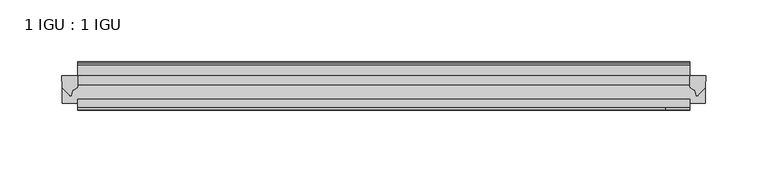
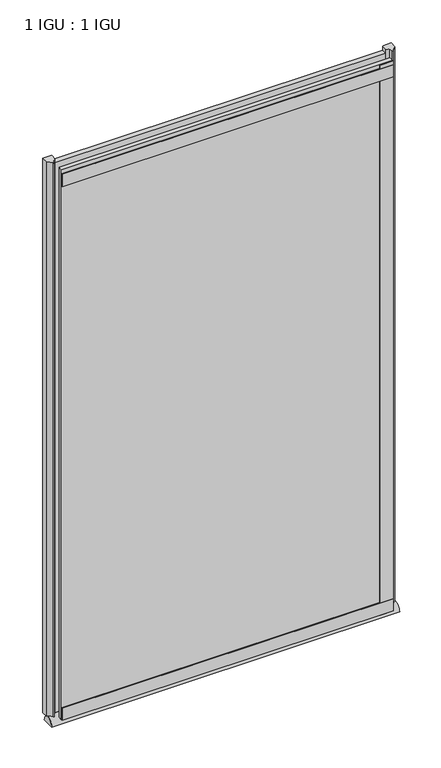
"""IFC4 building model written with IfcOpenShell, lengths in millimetres: plate geometry, 1 IGU : 1 IGU."""

import ifcopenshell
import ifcopenshell.guid

model = None  # the IFC model being written
_history = None  # IfcOwnerHistory: only IFC2X3 demands one
_inside = {}  # id of a spatial element -> (the spatial element, [elements in it])
_under = {}  # id of a project, library or spatial element -> (it, [spatial elements below it])
_declared = {}  # id of a project -> (the project, [libraries it declares])
_typed = {}  # id of a type object -> (the type object, [elements of that type])
_made_of = {}  # id of a material, layer set ... -> (it, [elements and type objects made of it])


def new_model(schema):
    """Start an empty IFC model of exactly this schema.

    Asked for "IFC4X3", IfcOpenShell would pick the latest addendum, in which some entities
    have other attributes; the version numbers below select the first issue.
    IFC2X3 requires an IfcOwnerHistory on every rooted entity: one is made here for all.
    """
    global model, _history
    if schema == "IFC4X3":
        model = ifcopenshell.file(schema_version=(4, 3, 0, 0))
    else:
        model = ifcopenshell.file(schema=schema)
    _inside.clear()
    _under.clear()
    _declared.clear()
    _typed.clear()
    _made_of.clear()
    _history = None
    if model.schema == "IFC2X3":
        org = make("IfcOrganization", Name="unknown")
        user = make(
            "IfcPersonAndOrganization",
            ThePerson=make("IfcPerson", FamilyName="unknown"),
            TheOrganization=org,
        )
        app = make(
            "IfcApplication",
            ApplicationDeveloper=org,
            Version="unknown",
            ApplicationFullName="unknown",
            ApplicationIdentifier="unknown",
        )
        _history = make(
            "IfcOwnerHistory",
            OwningUser=user,
            OwningApplication=app,
            ChangeAction="ADDED",
            CreationDate=0,
        )
    return model


def make(cls, **values):
    """One entity of the class cls with the attributes given. An attribute that is None is left unset."""
    return model.create_entity(
        cls, **{name: value for name, value in values.items() if value is not None}
    )


def rooted(cls, **values):
    """An entity with a GlobalId (a new one), such as an element, a storey or a relation."""
    return make(cls, GlobalId=ifcopenshell.guid.new(), OwnerHistory=_history, **values)


def si_unit(unit_type, name, prefix=None):
    """IfcSIUnit, for example si_unit("LENGTHUNIT", "METRE", prefix="MILLI")."""
    return make("IfcSIUnit", UnitType=unit_type, Prefix=prefix, Name=name)


def assignment(units):
    """IfcUnitAssignment: the units of a project."""
    return None if units is None else make("IfcUnitAssignment", Units=units)


def point(xyz):
    """IfcCartesianPoint."""
    return None if xyz is None else make("IfcCartesianPoint", Coordinates=xyz)


def direction(xyz):
    """IfcDirection."""
    return None if xyz is None else make("IfcDirection", DirectionRatios=xyz)


def frame(location, z_axis=None, x_axis=None):
    """IfcAxis2Placement3D, a coordinate frame: its origin and axes. An axis left out is left unset."""
    return make(
        "IfcAxis2Placement3D",
        Location=point(location),
        Axis=direction(z_axis),
        RefDirection=direction(x_axis),
    )


def frame_2d(location, x_axis=None):
    """IfcAxis2Placement2D, a coordinate frame in the plane: its origin and x axis."""
    return make(
        "IfcAxis2Placement2D", Location=point(location), RefDirection=direction(x_axis)
    )


def origin():
    """The frame at (0, 0, 0) with its axes left unset."""
    return frame((0.0, 0.0, 0.0))


def place(relative_to, where):
    """IfcLocalPlacement: puts the frame where relative to a parent placement (None: the world)."""
    return make(
        "IfcLocalPlacement", PlacementRelTo=relative_to, RelativePlacement=where
    )


def context(
    kind, dimensions, precision=None, world=None, true_north=None, identifier=None
):
    """IfcGeometricRepresentationContext, for example the 3D "Model" context."""
    return make(
        "IfcGeometricRepresentationContext",
        ContextIdentifier=identifier,
        ContextType=kind,
        CoordinateSpaceDimension=dimensions,
        Precision=precision,
        WorldCoordinateSystem=world,
        TrueNorth=true_north,
    )


def project(units=None, contexts=None):
    """IfcProject with its units and contexts."""
    return rooted(
        "IfcProject",
        Name="project",
        RepresentationContexts=contexts,
        UnitsInContext=assignment(units),
    )


def spatial(cls, under=None, at=None, **own):
    """A site, building, storey or space (cls), placed at a placement, below another one or the project."""
    s = rooted(cls, ObjectPlacement=at, **own)
    if under is not None:
        _under.setdefault(under.id(), (under, []))[1].append(s)
    return s


def polyline(points):
    """IfcPolyline through the points."""
    return make("IfcPolyline", Points=[point(p) for p in points])


def circle_curve(where, radius):
    """IfcCircle in the frame where."""
    return make("IfcCircle", Position=where, Radius=radius)


def ellipse_curve(where, semi_axis1, semi_axis2):
    """IfcEllipse in the frame where."""
    return make(
        "IfcEllipse", Position=where, SemiAxis1=semi_axis1, SemiAxis2=semi_axis2
    )


def trimmed(basis, trim1, trim2, sense, master):
    """IfcTrimmedCurve: the piece of a basis curve between two trims."""
    return make(
        "IfcTrimmedCurve",
        BasisCurve=basis,
        Trim1=trim1,
        Trim2=trim2,
        SenseAgreement=sense,
        MasterRepresentation=master,
    )


def segment(curve, same_sense, transition):
    """IfcCompositeCurveSegment."""
    return make(
        "IfcCompositeCurveSegment",
        Transition=transition,
        SameSense=same_sense,
        ParentCurve=curve,
    )


def composite_curve(segments, self_intersect=None):
    """IfcCompositeCurve: segments joined end to end."""
    return make("IfcCompositeCurve", Segments=segments, SelfIntersect=self_intersect)


def outline(outer, holes=None, kind="AREA"):
    """IfcArbitraryClosedProfileDef: a profile drawn as a closed curve; with holes, ...WithVoids."""
    if holes is None:
        return make("IfcArbitraryClosedProfileDef", ProfileType=kind, OuterCurve=outer)
    return make(
        "IfcArbitraryProfileDefWithVoids",
        ProfileType=kind,
        OuterCurve=outer,
        InnerCurves=holes,
    )


def extrude(swept, where, along, depth):
    """IfcExtrudedAreaSolid: the profile swept, set in the frame where, extruded along a direction by depth."""
    return make(
        "IfcExtrudedAreaSolid",
        SweptArea=swept,
        Position=where,
        ExtrudedDirection=direction(along),
        Depth=depth,
    )


def shape(context_of_items, identifier, shape_type, items):
    """IfcShapeRepresentation: the items that make up one representation, for example the "Body"."""
    return make(
        "IfcShapeRepresentation",
        ContextOfItems=context_of_items,
        RepresentationIdentifier=identifier,
        RepresentationType=shape_type,
        Items=items,
    )


def source(mapping_origin, context_of_items, identifier, shape_type, items):
    """IfcRepresentationMap: a shape defined once, which mapped items show again and again."""
    return make(
        "IfcRepresentationMap",
        MappingOrigin=mapping_origin,
        MappedRepresentation=shape(context_of_items, identifier, shape_type, items),
    )


def transform(
    local_origin,
    x_axis=None,
    y_axis=None,
    z_axis=None,
    scale=None,
    scale2=None,
    scale3=None,
    uniform=True,
):
    """IfcCartesianTransformationOperator3D, or its non-uniform kind. x_axis, y_axis, z_axis: its Axis1, 2, 3."""
    if uniform:
        return make(
            "IfcCartesianTransformationOperator3D",
            Axis1=direction(x_axis),
            Axis2=direction(y_axis),
            LocalOrigin=point(local_origin),
            Scale=scale,
            Axis3=direction(z_axis),
        )
    return make(
        "IfcCartesianTransformationOperator3DnonUniform",
        Axis1=direction(x_axis),
        Axis2=direction(y_axis),
        LocalOrigin=point(local_origin),
        Scale=scale,
        Axis3=direction(z_axis),
        Scale2=scale2,
        Scale3=scale3,
    )


def mapped(mapping_source, mapping_target):
    """IfcMappedItem: shows the shape of a source again, moved by a transform."""
    return make(
        "IfcMappedItem", MappingSource=mapping_source, MappingTarget=mapping_target
    )


def made_of(thing, what):
    """Note that an element or type object is made of a material, layer set ...; save() writes the relation."""
    if what is not None:
        _made_of.setdefault(what.id(), (what, []))[1].append(thing)
    return thing


def element(
    cls,
    number,
    at=None,
    inside=None,
    cuts=None,
    type_object=None,
    material=None,
    context=None,
    identifier="Body",
    shape_type=None,
    held_by="IfcProductDefinitionShape",
    body=None,
    shapes=None,
    **own,
):
    """One element of the class cls, such as IfcWall. Its Tag is "e" and its number.

    at: its placement. inside: the storey or other place that contains it. cuts: it is an
    opening in that element (IfcRelVoidsElement). A single representation is given by context,
    identifier, shape_type and body (its items); several are given by shapes. held_by: the class
    of the entity that holds the representations. save() writes the other relations.
    """
    e = rooted(cls, Tag="e%d" % number, ObjectPlacement=at, **own)
    if body is not None:
        shapes = [shape(context, identifier, shape_type, body)]
    if shapes is not None:
        e.Representation = make(held_by, Representations=shapes)
    if inside is not None:
        _inside.setdefault(inside.id(), (inside, []))[1].append(e)
    if cuts is not None:
        rooted(
            "IfcRelVoidsElement", RelatingBuildingElement=cuts, RelatedOpeningElement=e
        )
    if type_object is not None:
        _typed.setdefault(type_object.id(), (type_object, []))[1].append(e)
    return made_of(e, material)


def aggregate(whole, parts):
    """IfcRelAggregates: a whole, such as a stair, and the parts it consists of."""
    return rooted("IfcRelAggregates", RelatingObject=whole, RelatedObjects=parts)


def save(model, path):
    """Write the relations noted so far, then the file.

    IfcRelAggregates (storeys below a building ...), IfcRelContainedInSpatialStructure (elements
    in a storey), IfcRelDefinesByType, IfcRelAssociatesMaterial and IfcRelDeclares: one each for
    every whole, place, type object, material and project.
    """
    for whole, parts in _under.values():
        aggregate(whole, parts)
    for where, things in _inside.values():
        rooted(
            "IfcRelContainedInSpatialStructure",
            RelatedElements=things,
            RelatingStructure=where,
        )
    for kind, things in _typed.values():
        rooted("IfcRelDefinesByType", RelatedObjects=things, RelatingType=kind)
    for what, things in _made_of.values():
        rooted("IfcRelAssociatesMaterial", RelatedObjects=things, RelatingMaterial=what)
    for by, libraries in _declared.values():
        rooted("IfcRelDeclares", RelatingContext=by, RelatedDefinitions=libraries)
    model.write(path)


def plane_surface(at):
    """IfcPlane: the flat surface through the origin of the frame at, square to its z axis."""
    return make("IfcPlane", Position=at)


def extruded_surface(curve, direction_of_extrusion, depth):
    """IfcSurfaceOfLinearExtrusion: the curve pushed along a direction by depth."""
    return make(
        "IfcSurfaceOfLinearExtrusion",
        SweptCurve=make("IfcArbitraryOpenProfileDef", ProfileType="CURVE", Curve=curve),
        ExtrudedDirection=direction(direction_of_extrusion),
        Depth=depth,
    )


def advanced_brep(points, edges, surfaces, faces):
    """IfcAdvancedBrep: a solid bounded by faces that lie on surfaces and meet in shared edges.

    An edge is (start, end): straight between two places in points (the first is 0);
    or (start, end, curve); or (start, end, curve, False) where it runs against its curve.
    A face is (place in surfaces, loops), or (place, loops, False) where it looks against
    its surface's normal. A loop lists edges by number (the first is 1), with a minus sign
    where the edge is run from its end to its start. The first loop is the outer one.
    """
    corners = [point(p) for p in points]
    vertices = [make("IfcVertexPoint", VertexGeometry=c) for c in corners]
    made = []
    for start, end, *more in edges:
        made.append(
            make(
                "IfcEdgeCurve",
                EdgeStart=vertices[start],
                EdgeEnd=vertices[end],
                EdgeGeometry=more[0] if more else make("IfcPolyline", Points=[corners[start], corners[end]]),
                SameSense=more[1] if len(more) > 1 else True,
            )
        )
    hull = []
    for where, loops, *sense in faces:
        bounds = []
        for j, loop in enumerate(loops):
            ring = [make("IfcOrientedEdge", EdgeElement=made[abs(k) - 1], Orientation=k > 0) for k in loop]
            bounds.append(
                make(
                    "IfcFaceOuterBound" if j == 0 else "IfcFaceBound",
                    Bound=make("IfcEdgeLoop", EdgeList=ring),
                    Orientation=True,
                )
            )
        hull.append(make("IfcAdvancedFace", Bounds=bounds, FaceSurface=surfaces[where], SameSense=sense[0] if sense else True))
    return make("IfcAdvancedBrep", Outer=make("IfcClosedShell", CfsFaces=hull))


def plate_1_igu_1_igu_0bd16656(model_context):
    return source(origin(), model_context, "Body", "SolidModel", [
        extrude(outline(polyline([(307.9682531, -11.6085937), (307.9682531, -18.8576359), (-187.0205969, -18.8576359), (-187.0205969, -11.6085937), (307.9682531, -11.6085937)])), frame((0.0, 0.0, -19.05), z_axis=(0.0, 0.0, 1.0), x_axis=(1.0, 0.0, 0.0)), (0.0, 0.0, 1.0), 869.9409101),
        extrude(outline(polyline([(-187.0205969, -30.7093937), (307.9682531, -30.7093937), (307.9682531, -37.0085937), (-187.0205969, -37.0085937), (-187.0205969, -30.7093937)])), frame((0.0, 0.0, -19.05), z_axis=(0.0, 0.0, 1.0), x_axis=(1.0, 0.0, 0.0)), (0.0, 0.0, 1.0), 869.9409101),
        advanced_brep(
        [(320.6682531, -33.6472189, -28.575), (320.6682531, -14.9699686, -28.575), (-199.7205969, -33.6472189, -28.575), (-199.7205969, -14.9699686, -28.575)],
        [
            (0, 1),
            (1, 0, ellipse_curve(frame((320.6682531, -24.3085937, -28.575), z_axis=(1.0, 0.0, 0.0), x_axis=(0.0, 0.0, 1.0)), 10.6973372, 9.3386252)),
            (2, 3, ellipse_curve(frame((-199.7205969, -24.3085937, -28.575), z_axis=(-1.0, 0.0, 0.0), x_axis=(0.0, 0.0, 1.0)), 10.6973372, 9.3386252)),
            (3, 2),
            (0, 2),
            (3, 1),
        ],
        [
            plane_surface(frame((320.6682531, -9.2273438, -28.575), z_axis=(1.0, 0.0, 0.0), x_axis=(0.0, 1.0, 0.0))),
            plane_surface(frame((-199.7205969, -9.2273437, -28.575), z_axis=(-1.0, 0.0, 0.0), x_axis=(0.0, 1.0, 0.0))),
            plane_surface(frame((320.6682531, -33.6472189, -28.575), z_axis=(0.0, 0.0, -1.0), x_axis=(-1.0, 0.0, 0.0))),
            extruded_surface(trimmed(ellipse_curve(frame((-199.7205969, -24.3085937, -28.575), z_axis=(1.0, 0.0, 0.0), x_axis=(0.0, 0.0, 1.0)), 10.6973372, 9.3386252), [point((-199.7205969, -14.9699686, -28.575))], [point((-199.7205969, -33.6472189, -28.575))], True, "CARTESIAN"), (520.38885, 0.0, 0.0), 520.38885),
        ],
        [
            (0, [[1, 2]]),
            (1, [[3, 4]]),
            (2, [[-1, 5, -4, 6]]),
            (3, [[-2, -6, -3, -5]]),
        ],
    ),
        extrude(outline(composite_curve([segment(polyline([(321.0461623, -11.6101465), (320.6682531, -21.3502133), (314.7301999, -27.6095865)]), True, "CONTINUOUS"), segment(trimmed(circle_curve(frame_2d((314.0573938, -27.2518492)), 0.762), [point((314.7301999, -27.6095865))], [point((313.3286896, -27.4746364))], False, "CARTESIAN"), True, "CONTINUOUS"), segment(polyline([(313.3286896, -27.4746364), (312.066855, -23.3488397)]), True, "CONTINUOUS"), segment(trimmed(circle_curve(frame_2d((314.2488122, -16.3834724)), 7.2991286), [point((312.066855, -23.3488397))], [point((307.9684317, -20.1028944))], False, "CARTESIAN"), True, "CONTINUOUS"), segment(polyline([(307.9684317, -20.1028944), (307.9684317, -12.664425)]), True, "CONTINUOUS"), segment(trimmed(circle_curve(frame_2d((314.2496862, -16.3827796)), 7.2993369), [point((307.9684317, -12.664425))], [point((308.7267981, -11.6101465))], False, "CARTESIAN"), True, "CONTINUOUS"), segment(polyline([(308.7267981, -11.6101465), (321.0461623, -11.6101465)]), True, "CONTINUOUS")], self_intersect=False)), frame((0.0, 0.0, -19.05), z_axis=(0.0, 0.0, 1.0), x_axis=(1.0, 0.0, 0.0)), (0.0, 0.0, 1.0), 877.0783101),
        extrude(outline(composite_curve([segment(polyline([(-187.0205969, -11.610702), (-187.0205969, -20.1014769)]), True, "CONTINUOUS"), segment(trimmed(circle_curve(frame_2d((-193.3017912, -16.3829847)), 7.2993552), [point((-187.0205969, -20.1014769))], [point((-191.1195466, -23.3484994))], False, "CARTESIAN"), True, "CONTINUOUS"), segment(polyline([(-191.1195466, -23.3484994), (-192.3810333, -27.4746364)]), True, "CONTINUOUS"), segment(trimmed(circle_curve(frame_2d((-193.1097375, -27.2518492)), 0.762), [point((-192.3810333, -27.4746364))], [point((-193.7825436, -27.6095865))], False, "CARTESIAN"), True, "CONTINUOUS"), segment(polyline([(-193.7825436, -27.6095865), (-199.7205969, -21.3502133), (-200.098506, -11.610702), (-187.0205969, -11.610702)]), True, "CONTINUOUS")], self_intersect=False)), frame((0.0, 0.0, -19.05), z_axis=(0.0, 0.0, 1.0), x_axis=(1.0, 0.0, 0.0)), (0.0, 0.0, 1.0), 877.0783101),
        extrude(outline(polyline([(-187.0205969, -39.2945937), (-187.0205969, -37.0085937), (307.9682531, -37.0085937), (307.9682531, -39.2945937), (-187.0205969, -39.2945937)])), frame((0.0, 0.0, -19.05), z_axis=(0.0, 0.0, 1.0), x_axis=(1.0, 0.0, 0.0)), (0.0, 0.0, 1.0), 19.05),
        extrude(outline(composite_curve([segment(polyline([(-3.0995937, 840.8103314), (-3.0995937, 838.7783314), (-5.2585937, 838.7783314), (-5.2585937, 833.4443314), (-1.5755937, 833.4443314), (-1.5755937, 830.3963314), (-5.2585937, 830.3963314), (-5.2585937, 825.5703314), (-0.5298657, 826.2349108), (-0.4061408, 825.3545625)]), True, "CONTINUOUS"), segment(trimmed(circle_curve(frame_2d((-1.4122531, 825.2131626)), 1.016), [point((-0.4061408, 825.3545625))], [point((-1.2708533, 824.2070502))], False, "CARTESIAN"), True, "CONTINUOUS"), segment(polyline([(-1.2708533, 824.2070502), (-11.6085937, 822.7541756), (-11.6085937, 840.8103314), (-3.0995937, 840.8103314)]), True, "CONTINUOUS")], self_intersect=False)), frame((-187.0205969, 0.0, 0.0), z_axis=(1.0, 0.0, 0.0), x_axis=(0.0, 1.0, 0.0)), (0.0, 0.0, 1.0), 494.98885),
        extrude(outline(polyline([(-187.0205969, -39.2945937), (-187.0205969, -37.0085937), (307.9682531, -37.0085937), (307.9682531, -39.2945937), (-187.0205969, -39.2945937)])), frame((0.0, 0.0, 825.4909101), z_axis=(0.0, 0.0, 1.0), x_axis=(1.0, 0.0, 0.0)), (0.0, 0.0, 1.0), 19.05),
        extrude(outline(polyline([(288.9182531, -37.0085937), (307.9682531, -37.0085937), (307.9682531, -39.2945938), (288.9182531, -39.2945938), (288.9182531, -37.0085937)])), frame((0.0, 0.0, -19.05), z_axis=(0.0, 0.0, 1.0), x_axis=(1.0, 0.0, 0.0)), (0.0, 0.0, 1.0), 869.9409101),
    ])


if __name__ == "__main__":
    model = new_model("IFC4")
    model_context = context("Model", 3, world=origin())
    ifc_project = project(units=[si_unit("LENGTHUNIT", "METRE", prefix="MILLI")], contexts=[model_context])
    site = spatial("IfcSite", under=ifc_project)
    building = spatial("IfcBuilding", under=site)
    placement = place(None, origin())
    plate_1_igu_1_igu_shape = plate_1_igu_1_igu_0bd16656(model_context)
    element("IfcPlate", 1, ObjectType="1 IGU : 1 IGU", at=placement, inside=building, context=model_context, shape_type="MappedRepresentation", body=[
        mapped(plate_1_igu_1_igu_shape, transform((0.0, 0.0, 0.0), x_axis=(1.0, 0.0, 0.0), y_axis=(0.0, 1.0, 0.0), z_axis=(0.0, 0.0, 1.0))),
    ])
    save(model, "model.ifc")
